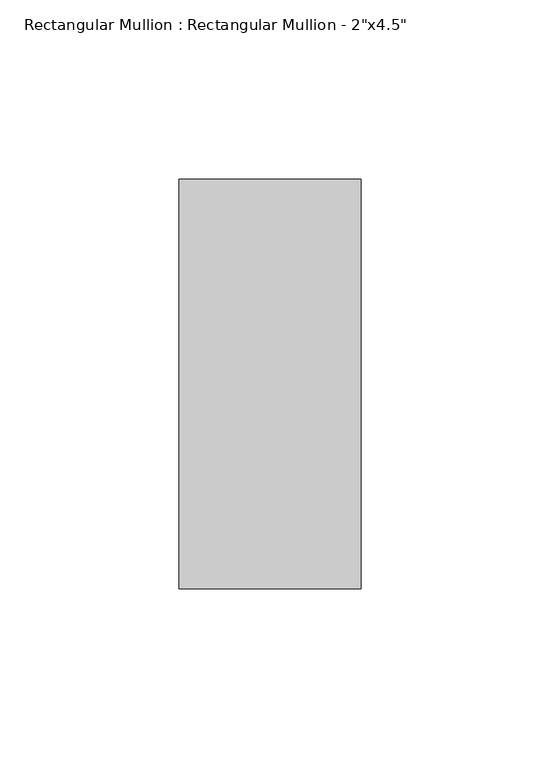
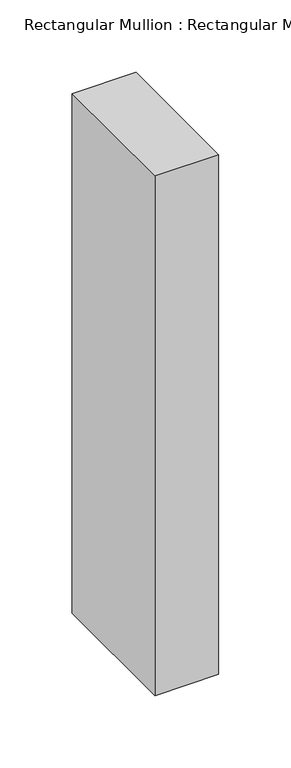
"""IFC4 building model written with IfcOpenShell, lengths in millimetres: member geometry."""

from ifc_helpers import new_model, si_unit, frame, origin, place, context, project, spatial, polyline, outline, extrude, source, transform, mapped, element, save


def member_54680bec(model_context):
    return source(origin(), model_context, "Body", "SweptSolid", [
        extrude(outline(polyline([(0.0, 57.15), (0.0, -57.15), (-50.8, -57.15), (-50.8, 57.15), (0.0, 57.15)])), frame((0.0, 0.0, -438.15), z_axis=(0.0, 0.0, 1.0), x_axis=(1.0, 0.0, 0.0)), (0.0, 0.0, 1.0), 438.15),
    ])


if __name__ == "__main__":
    model = new_model("IFC4")
    model_context = context("Model", 3, world=origin())
    ifc_project = project(units=[si_unit("LENGTHUNIT", "METRE", prefix="MILLI")], contexts=[model_context])
    site = spatial("IfcSite", under=ifc_project)
    building = spatial("IfcBuilding", under=site)
    placement = place(None, origin())
    member_shape = member_54680bec(model_context)
    element("IfcMember", 1, ObjectType="Rectangular Mullion : Rectangular Mullion - 2\"x4.5\"", at=placement, inside=building, context=model_context, shape_type="MappedRepresentation", body=[
        mapped(member_shape, transform((0.0, 0.0, 0.0), x_axis=(1.0, 0.0, 0.0), y_axis=(0.0, 1.0, 0.0), z_axis=(0.0, 0.0, 1.0))),
    ])
    save(model, "model.ifc")
